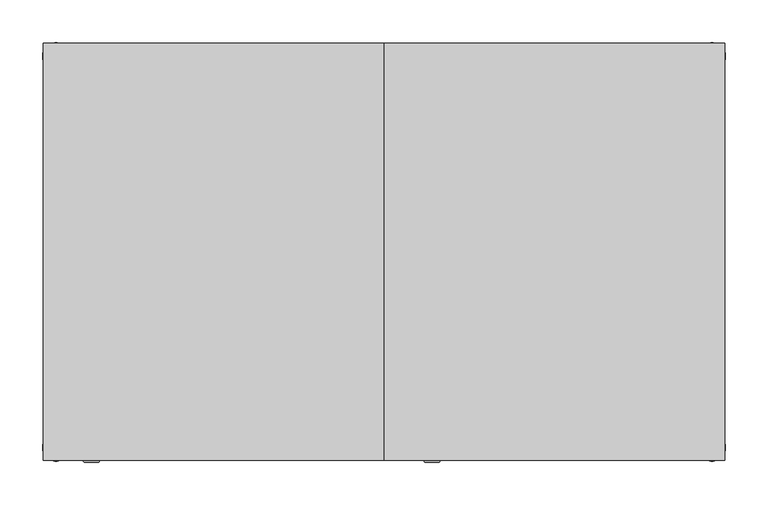
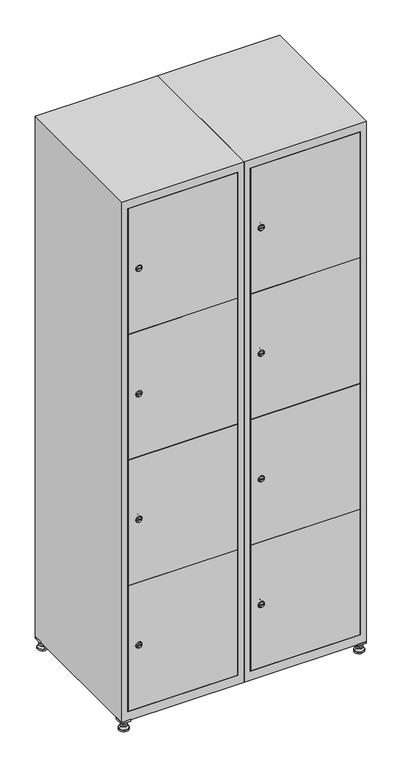
"""IFC4 building model written with IfcOpenShell, lengths in millimetres: furniture geometry."""

from ifc_helpers import new_model, si_unit, point, frame, frame_2d, origin, origin_with_axes, place, context, project, spatial, polyline, circle_curve, trimmed, segment, composite_curve, outline, extrude, faceted_brep, source, transform, mapped, element, save
from ifc_brep_helpers import plane_surface, revolved_surface, advanced_brep


def furniture_3c0cf55d(model_context):
    return source(origin(), model_context, "Body", "SolidModel", [
        extrude(outline(polyline([(600.0, 245.0), (600.0, 215.0), (570.0, 215.0), (570.0, 245.0), (600.0, 245.0)]), holes=[polyline([(598.0, 243.0), (572.0, 243.0), (572.0, 217.0), (598.0, 217.0), (598.0, 243.0)])]), frame((0.0, 0.0, 28.5), z_axis=(0.0, 0.0, 1.0), x_axis=(1.0, 0.0, 0.0)), (0.0, 0.0, 1.0), 6.5),
        extrude(outline(polyline([(570.0, -245.0), (570.0, -215.0), (600.0, -215.0), (600.0, -245.0), (570.0, -245.0)]), holes=[polyline([(572.0, -243.0), (598.0, -243.0), (598.0, -217.0), (572.0, -217.0), (572.0, -243.0)])]), frame((0.0, 0.0, 28.5), z_axis=(0.0, 0.0, 1.0), x_axis=(1.0, 0.0, 0.0)), (0.0, 0.0, 1.0), 6.5),
        extrude(outline(polyline([(-170.0, 245.0), (-170.0, 215.0), (-200.0, 215.0), (-200.0, 245.0), (-170.0, 245.0)]), holes=[polyline([(-172.0, 243.0), (-198.0, 243.0), (-198.0, 217.0), (-172.0, 217.0), (-172.0, 243.0)])]), frame((0.0, 0.0, 28.5), z_axis=(0.0, 0.0, 1.0), x_axis=(1.0, 0.0, 0.0)), (0.0, 0.0, 1.0), 6.5),
        extrude(outline(polyline([(-170.0, -215.0), (-170.0, -245.0), (-200.0, -245.0), (-200.0, -215.0), (-170.0, -215.0)]), holes=[polyline([(-198.0, -243.0), (-172.0, -243.0), (-172.0, -217.0), (-198.0, -217.0), (-198.0, -243.0)])]), frame((0.0, 0.0, 28.5), z_axis=(0.0, 0.0, 1.0), x_axis=(1.0, 0.0, 0.0)), (0.0, 0.0, 1.0), 6.5),
        extrude(outline(composite_curve([segment(trimmed(circle_curve(frame_2d((-185.0, 230.0)), 5.0), [point((-180.0, 230.0))], [point((-190.0, 230.0))], False, "CARTESIAN"), True, "CONTINUOUS"), segment(trimmed(circle_curve(frame_2d((-185.0, 230.0)), 5.0), [point((-190.0, 230.0))], [point((-180.0, 230.0))], False, "CARTESIAN"), True, "CONTINUOUS")], self_intersect=False)), frame((0.0, 0.0, 19.6), z_axis=(0.0, 0.0, 1.0), x_axis=(1.0, 0.0, 0.0)), (0.0, 0.0, 1.0), 15.4),
        extrude(outline(composite_curve([segment(trimmed(circle_curve(frame_2d((-185.0, -230.0)), 5.0), [point((-180.0, -230.0))], [point((-190.0, -230.0))], False, "CARTESIAN"), True, "CONTINUOUS"), segment(trimmed(circle_curve(frame_2d((-185.0, -230.0)), 5.0), [point((-190.0, -230.0))], [point((-180.0, -230.0))], False, "CARTESIAN"), True, "CONTINUOUS")], self_intersect=False)), frame((0.0, 0.0, 19.6), z_axis=(0.0, 0.0, 1.0), x_axis=(1.0, 0.0, 0.0)), (0.0, 0.0, 1.0), 15.4),
        extrude(outline(composite_curve([segment(trimmed(circle_curve(frame_2d((585.0, 230.0)), 5.0), [point((590.0, 230.0))], [point((580.0, 230.0))], False, "CARTESIAN"), True, "CONTINUOUS"), segment(trimmed(circle_curve(frame_2d((585.0, 230.0)), 5.0), [point((580.0, 230.0))], [point((590.0, 230.0))], False, "CARTESIAN"), True, "CONTINUOUS")], self_intersect=False)), frame((0.0, 0.0, 19.6), z_axis=(0.0, 0.0, 1.0), x_axis=(1.0, 0.0, 0.0)), (0.0, 0.0, 1.0), 15.4),
        extrude(outline(polyline([(573.4529946, 230.0), (579.2264973, 240.0), (590.7735027, 240.0), (596.5470054, 230.0), (590.7735027, 220.0), (579.2264973, 220.0), (573.4529946, 230.0)])), frame((0.0, 0.0, 13.6), z_axis=(0.0, 0.0, 1.0), x_axis=(1.0, 0.0, 0.0)), (0.0, 0.0, 1.0), 6.0),
        extrude(outline(composite_curve([segment(trimmed(circle_curve(frame_2d((585.0, -230.0)), 5.0), [point((590.0, -230.0))], [point((580.0, -230.0))], False, "CARTESIAN"), True, "CONTINUOUS"), segment(trimmed(circle_curve(frame_2d((585.0, -230.0)), 5.0), [point((580.0, -230.0))], [point((590.0, -230.0))], False, "CARTESIAN"), True, "CONTINUOUS")], self_intersect=False)), frame((0.0, 0.0, 19.6), z_axis=(0.0, 0.0, 1.0), x_axis=(1.0, 0.0, 0.0)), (0.0, 0.0, 1.0), 15.4),
        extrude(outline(polyline([(573.4529946, -230.0), (579.2264973, -220.0), (590.7735027, -220.0), (596.5470054, -230.0), (590.7735027, -240.0), (579.2264973, -240.0), (573.4529946, -230.0)])), frame((0.0, 0.0, 13.6), z_axis=(0.0, 0.0, 1.0), x_axis=(1.0, 0.0, 0.0)), (0.0, 0.0, 1.0), 6.0),
        extrude(outline(composite_curve([segment(trimmed(circle_curve(frame_2d((585.0, 230.0)), 5.0), [point((590.0, 230.0))], [point((580.0, 230.0))], False, "CARTESIAN"), True, "CONTINUOUS"), segment(trimmed(circle_curve(frame_2d((585.0, 230.0)), 5.0), [point((580.0, 230.0))], [point((590.0, 230.0))], False, "CARTESIAN"), True, "CONTINUOUS")], self_intersect=False)), frame((0.0, 0.0, 12.1), z_axis=(0.0, 0.0, 1.0), x_axis=(1.0, 0.0, 0.0)), (0.0, 0.0, 1.0), 1.5),
        extrude(outline(composite_curve([segment(trimmed(circle_curve(frame_2d((585.0, -230.0)), 5.0), [point((590.0, -230.0))], [point((580.0, -230.0))], False, "CARTESIAN"), True, "CONTINUOUS"), segment(trimmed(circle_curve(frame_2d((585.0, -230.0)), 5.0), [point((580.0, -230.0))], [point((590.0, -230.0))], False, "CARTESIAN"), True, "CONTINUOUS")], self_intersect=False)), frame((0.0, 0.0, 12.1), z_axis=(0.0, 0.0, 1.0), x_axis=(1.0, 0.0, 0.0)), (0.0, 0.0, 1.0), 1.5),
        extrude(outline(polyline([(-196.5470054, 230.0), (-190.7735027, 240.0), (-179.2264973, 240.0), (-173.4529946, 230.0), (-179.2264973, 220.0), (-190.7735027, 220.0), (-196.5470054, 230.0)])), frame((0.0, 0.0, 13.6), z_axis=(0.0, 0.0, 1.0), x_axis=(1.0, 0.0, 0.0)), (0.0, 0.0, 1.0), 6.0),
        extrude(outline(polyline([(-196.5470054, -230.0), (-190.7735027, -220.0), (-179.2264973, -220.0), (-173.4529946, -230.0), (-179.2264973, -240.0), (-190.7735027, -240.0), (-196.5470054, -230.0)])), frame((0.0, 0.0, 13.6), z_axis=(0.0, 0.0, 1.0), x_axis=(1.0, 0.0, 0.0)), (0.0, 0.0, 1.0), 6.0),
        extrude(outline(composite_curve([segment(trimmed(circle_curve(frame_2d((-185.0, 230.0)), 5.0), [point((-185.0, 235.0))], [point((-185.0, 225.0))], False, "CARTESIAN"), True, "CONTINUOUS"), segment(trimmed(circle_curve(frame_2d((-185.0, 230.0)), 5.0), [point((-185.0, 225.0))], [point((-185.0, 235.0))], False, "CARTESIAN"), True, "CONTINUOUS")], self_intersect=False)), frame((0.0, 0.0, 12.1), z_axis=(0.0, 0.0, 1.0), x_axis=(1.0, 0.0, 0.0)), (0.0, 0.0, 1.0), 1.5),
        extrude(outline(composite_curve([segment(trimmed(circle_curve(frame_2d((-185.0, -230.0)), 5.0), [point((-180.0, -230.0))], [point((-190.0, -230.0))], False, "CARTESIAN"), True, "CONTINUOUS"), segment(trimmed(circle_curve(frame_2d((-185.0, -230.0)), 5.0), [point((-190.0, -230.0))], [point((-180.0, -230.0))], False, "CARTESIAN"), True, "CONTINUOUS")], self_intersect=False)), frame((0.0, 0.0, 12.1), z_axis=(0.0, 0.0, 1.0), x_axis=(1.0, 0.0, 0.0)), (0.0, 0.0, 1.0), 1.5),
        extrude(outline(composite_curve([segment(trimmed(circle_curve(frame_2d((585.0, 230.0)), 15.75), [point((600.75, 230.0))], [point((569.25, 230.0))], False, "CARTESIAN"), True, "CONTINUOUS"), segment(trimmed(circle_curve(frame_2d((585.0, 230.0)), 15.75), [point((569.25, 230.0))], [point((600.75, 230.0))], False, "CARTESIAN"), True, "CONTINUOUS")], self_intersect=False)), origin_with_axes(), (0.0, 0.0, 1.0), 5.1),
        extrude(outline(composite_curve([segment(trimmed(circle_curve(frame_2d((585.0, -230.0)), 15.75), [point((585.0, -214.25))], [point((585.0, -245.75))], False, "CARTESIAN"), True, "CONTINUOUS"), segment(trimmed(circle_curve(frame_2d((585.0, -230.0)), 15.75), [point((585.0, -245.75))], [point((585.0, -214.25))], False, "CARTESIAN"), True, "CONTINUOUS")], self_intersect=False)), origin_with_axes(), (0.0, 0.0, 1.0), 5.1),
        extrude(outline(composite_curve([segment(trimmed(circle_curve(frame_2d((-185.0, -230.0)), 15.75), [point((-169.25, -230.0))], [point((-200.75, -230.0))], False, "CARTESIAN"), True, "CONTINUOUS"), segment(trimmed(circle_curve(frame_2d((-185.0, -230.0)), 15.75), [point((-200.75, -230.0))], [point((-169.25, -230.0))], False, "CARTESIAN"), True, "CONTINUOUS")], self_intersect=False)), origin_with_axes(), (0.0, 0.0, 1.0), 5.1),
        extrude(outline(composite_curve([segment(trimmed(circle_curve(frame_2d((-185.0, 230.0)), 15.75), [point((-169.25, 230.0))], [point((-200.75, 230.0))], False, "CARTESIAN"), True, "CONTINUOUS"), segment(trimmed(circle_curve(frame_2d((-185.0, 230.0)), 15.75), [point((-200.75, 230.0))], [point((-169.25, 230.0))], False, "CARTESIAN"), True, "CONTINUOUS")], self_intersect=False)), origin_with_axes(), (0.0, 0.0, 1.0), 5.1),
        advanced_brep(
        [(-185.0, 245.75, 5.1), (-185.0, 214.25, 5.1), (-185.0, 239.5, 12.1), (-185.0, 220.5, 12.1)],
        [
            (0, 1, circle_curve(frame((-185.0, 230.0, 5.1), z_axis=(0.0, 0.0, -1.0), x_axis=(0.0, 1.0, 0.0)), 15.75)),
            (1, 0, circle_curve(frame((-185.0, 230.0, 5.1), z_axis=(0.0, 0.0, -1.0), x_axis=(0.0, -1.0, 0.0)), 15.75)),
            (2, 3, circle_curve(frame((-185.0, 230.0, 12.1), z_axis=(0.0, 0.0, 1.0), x_axis=(0.0, -1.0, 0.0)), 9.5)),
            (3, 2, circle_curve(frame((-185.0, 230.0, 12.1), z_axis=(0.0, 0.0, 1.0), x_axis=(0.0, 1.0, 0.0)), 9.5)),
            (3, 1),
            (0, 2),
        ],
        [
            plane_surface(frame((-185.0, 230.0, 5.1), z_axis=(0.0, 0.0, -1.0), x_axis=(1.0, 0.0, 0.0))),
            plane_surface(frame((-185.0, 230.0, 12.1), z_axis=(0.0, 0.0, 1.0), x_axis=(1.0, 0.0, 0.0))),
            revolved_surface(polyline([(-185.0, 220.5, 12.099999999999998), (-185.0, 214.25, 5.099999999999998)]), (-185.0, 230.0, 22.74), (0.0, 0.0, -1.0)),
            revolved_surface(polyline([(-185.0, 239.5, 12.099999999999998), (-185.0, 245.75, 5.099999999999998)]), (-185.0, 230.0, 22.74), (0.0, 0.0, -1.0)),
        ],
        [
            (0, [[1, 2]]),
            (1, [[3, 4]]),
            (2, [[-4, 5, -1, 6]]),
            (3, [[-3, -6, -2, -5]]),
        ],
    ),
        advanced_brep(
        [(585.0, 245.75, 5.1), (585.0, 214.25, 5.1), (585.0, 239.5, 12.1), (585.0, 220.5, 12.1)],
        [
            (0, 1, circle_curve(frame((585.0, 230.0, 5.1), z_axis=(0.0, 0.0, -1.0), x_axis=(0.0, 1.0, 0.0)), 15.75)),
            (1, 0, circle_curve(frame((585.0, 230.0, 5.1), z_axis=(0.0, 0.0, -1.0), x_axis=(0.0, -1.0, 0.0)), 15.75)),
            (2, 3, circle_curve(frame((585.0, 230.0, 12.1), z_axis=(0.0, 0.0, 1.0), x_axis=(0.0, -1.0, 0.0)), 9.5)),
            (3, 2, circle_curve(frame((585.0, 230.0, 12.1), z_axis=(0.0, 0.0, 1.0), x_axis=(0.0, 1.0, 0.0)), 9.5)),
            (3, 1),
            (0, 2),
        ],
        [
            plane_surface(frame((585.0, 230.0, 5.1), z_axis=(0.0, 0.0, -1.0), x_axis=(1.0, 0.0, 0.0))),
            plane_surface(frame((585.0, 230.0, 12.1), z_axis=(0.0, 0.0, 1.0), x_axis=(1.0, 0.0, 0.0))),
            revolved_surface(polyline([(585.0, 220.5, 12.099999999999998), (585.0, 214.25, 5.099999999999998)]), (585.0, 230.0, 22.74), (0.0, 0.0, -1.0)),
            revolved_surface(polyline([(585.0, 239.5, 12.099999999999998), (585.0, 245.75, 5.099999999999998)]), (585.0, 230.0, 22.74), (0.0, 0.0, -1.0)),
        ],
        [
            (0, [[1, 2]]),
            (1, [[3, 4]]),
            (2, [[-4, 5, -1, 6]]),
            (3, [[-3, -6, -2, -5]]),
        ],
    ),
        advanced_brep(
        [(594.5, -230.0, 12.1), (575.5, -230.0, 12.1), (600.75, -230.0, 5.1), (569.25, -230.0, 5.1)],
        [
            (0, 1, circle_curve(frame((585.0, -230.0, 12.1), z_axis=(0.0, 0.0, 1.0), x_axis=(1.0, 0.0, 0.0)), 9.5)),
            (1, 0, circle_curve(frame((585.0, -230.0, 12.1), z_axis=(0.0, 0.0, 1.0), x_axis=(-1.0, 0.0, 0.0)), 9.5)),
            (2, 3, circle_curve(frame((585.0, -230.0, 5.1), z_axis=(0.0, 0.0, -1.0), x_axis=(-1.0, 0.0, 0.0)), 15.75)),
            (3, 2, circle_curve(frame((585.0, -230.0, 5.1), z_axis=(0.0, 0.0, -1.0), x_axis=(1.0, 0.0, 0.0)), 15.75)),
            (3, 1),
            (0, 2),
        ],
        [
            plane_surface(frame((585.0, -230.0, 12.1), z_axis=(0.0, 0.0, 1.0), x_axis=(0.0, 1.0, 0.0))),
            plane_surface(frame((585.0, -230.0, 5.1), z_axis=(0.0, 0.0, -1.0), x_axis=(0.0, 1.0, 0.0))),
            revolved_surface(polyline([(594.5, -230.0, 12.099999999999998), (600.75, -230.0, 5.099999999999998)]), (585.0, -230.0, 22.74), (0.0, 0.0, -1.0)),
            revolved_surface(polyline([(575.5, -230.0, 12.099999999999998), (569.25, -230.0, 5.099999999999998)]), (585.0, -230.0, 22.74), (0.0, 0.0, -1.0)),
        ],
        [
            (0, [[1, 2]]),
            (1, [[3, 4]]),
            (2, [[-4, 5, -1, 6]]),
            (3, [[-3, -6, -2, -5]]),
        ],
    ),
        advanced_brep(
        [(-175.5, -230.0, 12.1), (-194.5, -230.0, 12.1), (-169.25, -230.0, 5.1), (-200.75, -230.0, 5.1)],
        [
            (0, 1, circle_curve(frame((-185.0, -230.0, 12.1), z_axis=(0.0, 0.0, 1.0), x_axis=(1.0, 0.0, 0.0)), 9.5)),
            (1, 0, circle_curve(frame((-185.0, -230.0, 12.1), z_axis=(0.0, 0.0, 1.0), x_axis=(-1.0, 0.0, 0.0)), 9.5)),
            (2, 3, circle_curve(frame((-185.0, -230.0, 5.1), z_axis=(0.0, 0.0, -1.0), x_axis=(-1.0, 0.0, 0.0)), 15.75)),
            (3, 2, circle_curve(frame((-185.0, -230.0, 5.1), z_axis=(0.0, 0.0, -1.0), x_axis=(1.0, 0.0, 0.0)), 15.75)),
            (3, 1),
            (0, 2),
        ],
        [
            plane_surface(frame((-185.0, -230.0, 12.1), z_axis=(0.0, 0.0, 1.0), x_axis=(0.0, 1.0, 0.0))),
            plane_surface(frame((-185.0, -230.0, 5.1), z_axis=(0.0, 0.0, -1.0), x_axis=(0.0, 1.0, 0.0))),
            revolved_surface(polyline([(-175.5, -230.0, 12.099999999999998), (-169.25, -230.0, 5.099999999999998)]), (-185.0, -230.0, 22.74), (0.0, 0.0, -1.0)),
            revolved_surface(polyline([(-194.5, -230.0, 12.099999999999998), (-200.75, -230.0, 5.099999999999998)]), (-185.0, -230.0, 22.74), (0.0, 0.0, -1.0)),
        ],
        [
            (0, [[1, 2]]),
            (1, [[3, 4]]),
            (2, [[-4, 5, -1, 6]]),
            (3, [[-3, -6, -2, -5]]),
        ],
    ),
        extrude(outline(composite_curve([segment(trimmed(circle_curve(frame_2d((283.4, 229.6010534)), 7.0), [point((290.4, 229.6010534))], [point((276.4, 229.6010534))], False, "CARTESIAN"), True, "CONTINUOUS"), segment(polyline([(276.4, 229.6010534), (276.4, 257.6010534)]), True, "CONTINUOUS"), segment(trimmed(circle_curve(frame_2d((283.4, 257.6010534)), 7.0), [point((276.4, 257.6010534))], [point((290.4, 257.6010534))], False, "CARTESIAN"), True, "CONTINUOUS"), segment(polyline([(290.4, 257.6010534), (290.4, 229.6010534)]), True, "CONTINUOUS")], self_intersect=False)), frame((0.0, -227.0, 0.0), z_axis=(0.0, 1.0, 0.0), x_axis=(0.0, 0.0, 1.0)), (0.0, 0.0, 1.0), 2.0),
        advanced_brep(
        [(264.9, -247.2, 283.4), (247.9, -247.2, 283.4), (251.4, -247.2, 282.15), (251.4, -247.2, 284.65), (261.4, -247.2, 284.65), (261.4, -247.2, 282.15), (266.9, -245.0, 283.4), (245.9, -245.0, 283.4), (251.4, -245.0, 284.65), (251.4, -245.0, 282.15), (261.4, -245.0, 282.15), (261.4, -245.0, 284.65)],
        [
            (0, 1, circle_curve(frame((256.4, -247.2, 283.4), z_axis=(0.0, -1.0, 0.0), x_axis=(1.0, 0.0, 0.0)), 8.5)),
            (1, 0, circle_curve(frame((256.4, -247.2, 283.4), z_axis=(0.0, -1.0, 0.0), x_axis=(-1.0, 0.0, 0.0)), 8.5)),
            (2, 3),
            (3, 4),
            (4, 5),
            (5, 2),
            (6, 7, circle_curve(frame((256.4, -245.0, 283.4), z_axis=(0.0, 1.0, 0.0), x_axis=(-1.0, 0.0, 0.0)), 10.5)),
            (7, 6, circle_curve(frame((256.4, -245.0, 283.4), z_axis=(0.0, 1.0, 0.0), x_axis=(1.0, 0.0, 0.0)), 10.5)),
            (8, 9),
            (9, 10),
            (10, 11),
            (11, 8),
            (0, 6),
            (7, 1),
            (8, 3),
            (2, 9),
            (11, 4),
            (10, 5),
        ],
        [
            plane_surface(frame((256.4, -247.2, 283.4), z_axis=(0.0, -1.0, 0.0), x_axis=(0.0, 0.0, 1.0))),
            plane_surface(frame((256.4, -245.0, 283.4), z_axis=(0.0, 1.0, 0.0), x_axis=(0.0, 0.0, 1.0))),
            revolved_surface(polyline([(264.9, -247.2, 283.4), (266.9, -245.0, 283.4)]), (256.4, -256.55, 283.4), (0.0, 1.0, 0.0)),
            revolved_surface(polyline([(247.89999999999998, -247.2, 283.4), (245.9, -245.0, 283.4)]), (256.4, -256.55, 283.4), (0.0, 1.0, 0.0)),
            plane_surface(frame((251.4, -245.0, 282.15), z_axis=(1.0, 0.0, 0.0), x_axis=(0.0, -1.0, 0.0))),
            plane_surface(frame((251.4, -245.0, 284.65), z_axis=(0.0, 0.0, -1.0), x_axis=(0.0, -1.0, 0.0))),
            plane_surface(frame((261.4, -245.0, 284.65), z_axis=(-1.0, 0.0, 0.0), x_axis=(0.0, -1.0, 0.0))),
            plane_surface(frame((261.4, -245.0, 282.15), z_axis=(0.0, 0.0, 1.0), x_axis=(0.0, -1.0, 0.0))),
        ],
        [
            (0, [[1, 2], [3, 4, 5, 6]]),
            (1, [[7, 8], [9, 10, 11, 12]]),
            (2, [[-1, 13, -8, 14]]),
            (3, [[-2, -14, -7, -13]]),
            (4, [[15, -3, 16, -9]]),
            (5, [[-15, -12, 17, -4]]),
            (6, [[-17, -11, 18, -5]]),
            (7, [[-16, -6, -18, -10]]),
        ],
    ),
        extrude(outline(composite_curve([segment(trimmed(circle_curve(frame_2d((717.8, 229.6010534)), 7.0), [point((724.8, 229.6010534))], [point((710.8, 229.6010534))], False, "CARTESIAN"), True, "CONTINUOUS"), segment(polyline([(710.8, 229.6010534), (710.8, 257.6010534)]), True, "CONTINUOUS"), segment(trimmed(circle_curve(frame_2d((717.8, 257.6010534)), 7.0), [point((710.8, 257.6010534))], [point((724.8, 257.6010534))], False, "CARTESIAN"), True, "CONTINUOUS"), segment(polyline([(724.8, 257.6010534), (724.8, 229.6010534)]), True, "CONTINUOUS")], self_intersect=False)), frame((0.0, -227.0, 0.0), z_axis=(0.0, 1.0, 0.0), x_axis=(0.0, 0.0, 1.0)), (0.0, 0.0, 1.0), 2.0),
        advanced_brep(
        [(264.9, -247.2, 717.8), (247.9, -247.2, 717.8), (251.4, -247.2, 716.55), (251.4, -247.2, 719.05), (261.4, -247.2, 719.05), (261.4, -247.2, 716.55), (266.9, -245.0, 717.8), (245.9, -245.0, 717.8), (251.4, -245.0, 719.05), (251.4, -245.0, 716.55), (261.4, -245.0, 716.55), (261.4, -245.0, 719.05)],
        [
            (0, 1, circle_curve(frame((256.4, -247.2, 717.8), z_axis=(0.0, -1.0, 0.0), x_axis=(1.0, 0.0, 0.0)), 8.5)),
            (1, 0, circle_curve(frame((256.4, -247.2, 717.8), z_axis=(0.0, -1.0, 0.0), x_axis=(-1.0, 0.0, 0.0)), 8.5)),
            (2, 3),
            (3, 4),
            (4, 5),
            (5, 2),
            (6, 7, circle_curve(frame((256.4, -245.0, 717.8), z_axis=(0.0, 1.0, 0.0), x_axis=(-1.0, 0.0, 0.0)), 10.5)),
            (7, 6, circle_curve(frame((256.4, -245.0, 717.8), z_axis=(0.0, 1.0, 0.0), x_axis=(1.0, 0.0, 0.0)), 10.5)),
            (8, 9),
            (9, 10),
            (10, 11),
            (11, 8),
            (0, 6),
            (7, 1),
            (8, 3),
            (2, 9),
            (11, 4),
            (10, 5),
        ],
        [
            plane_surface(frame((256.4, -247.2, 717.8), z_axis=(0.0, -1.0, 0.0), x_axis=(0.0, 0.0, 1.0))),
            plane_surface(frame((256.4, -245.0, 717.8), z_axis=(0.0, 1.0, 0.0), x_axis=(0.0, 0.0, 1.0))),
            revolved_surface(polyline([(264.9, -247.2, 717.8), (266.9, -245.0, 717.8)]), (256.4, -256.55, 717.8), (0.0, 1.0, 0.0)),
            revolved_surface(polyline([(247.89999999999998, -247.2, 717.8), (245.9, -245.0, 717.8)]), (256.4, -256.55, 717.8), (0.0, 1.0, 0.0)),
            plane_surface(frame((251.4, -245.0, 716.55), z_axis=(1.0, 0.0, 0.0), x_axis=(0.0, -1.0, 0.0))),
            plane_surface(frame((251.4, -245.0, 719.05), z_axis=(0.0, 0.0, -1.0), x_axis=(0.0, -1.0, 0.0))),
            plane_surface(frame((261.4, -245.0, 719.05), z_axis=(-1.0, 0.0, 0.0), x_axis=(0.0, -1.0, 0.0))),
            plane_surface(frame((261.4, -245.0, 716.55), z_axis=(0.0, 0.0, 1.0), x_axis=(0.0, -1.0, 0.0))),
        ],
        [
            (0, [[1, 2], [3, 4, 5, 6]]),
            (1, [[7, 8], [9, 10, 11, 12]]),
            (2, [[-1, 13, -8, 14]]),
            (3, [[-2, -14, -7, -13]]),
            (4, [[15, -3, 16, -9]]),
            (5, [[-15, -12, 17, -4]]),
            (6, [[-17, -11, 18, -5]]),
            (7, [[-16, -6, -18, -10]]),
        ],
    ),
        extrude(outline(composite_curve([segment(trimmed(circle_curve(frame_2d((1152.2, 229.6010534)), 7.0), [point((1159.2, 229.6010534))], [point((1145.2, 229.6010534))], False, "CARTESIAN"), True, "CONTINUOUS"), segment(polyline([(1145.2, 229.6010534), (1145.2, 257.6010534)]), True, "CONTINUOUS"), segment(trimmed(circle_curve(frame_2d((1152.2, 257.6010534)), 7.0), [point((1145.2, 257.6010534))], [point((1159.2, 257.6010534))], False, "CARTESIAN"), True, "CONTINUOUS"), segment(polyline([(1159.2, 257.6010534), (1159.2, 229.6010534)]), True, "CONTINUOUS")], self_intersect=False)), frame((0.0, -227.0, 0.0), z_axis=(0.0, 1.0, 0.0), x_axis=(0.0, 0.0, 1.0)), (0.0, 0.0, 1.0), 2.0),
        advanced_brep(
        [(264.9, -247.2, 1152.2), (247.9, -247.2, 1152.2), (251.4, -247.2, 1150.95), (251.4, -247.2, 1153.45), (261.4, -247.2, 1153.45), (261.4, -247.2, 1150.95), (266.9, -245.0, 1152.2), (245.9, -245.0, 1152.2), (251.4, -245.0, 1153.45), (251.4, -245.0, 1150.95), (261.4, -245.0, 1150.95), (261.4, -245.0, 1153.45)],
        [
            (0, 1, circle_curve(frame((256.4, -247.2, 1152.2), z_axis=(0.0, -1.0, 0.0), x_axis=(1.0, 0.0, 0.0)), 8.5)),
            (1, 0, circle_curve(frame((256.4, -247.2, 1152.2), z_axis=(0.0, -1.0, 0.0), x_axis=(-1.0, 0.0, 0.0)), 8.5)),
            (2, 3),
            (3, 4),
            (4, 5),
            (5, 2),
            (6, 7, circle_curve(frame((256.4, -245.0, 1152.2), z_axis=(0.0, 1.0, 0.0), x_axis=(-1.0, 0.0, 0.0)), 10.5)),
            (7, 6, circle_curve(frame((256.4, -245.0, 1152.2), z_axis=(0.0, 1.0, 0.0), x_axis=(1.0, 0.0, 0.0)), 10.5)),
            (8, 9),
            (9, 10),
            (10, 11),
            (11, 8),
            (0, 6),
            (7, 1),
            (8, 3),
            (2, 9),
            (11, 4),
            (10, 5),
        ],
        [
            plane_surface(frame((256.4, -247.2, 1152.2), z_axis=(0.0, -1.0, 0.0), x_axis=(0.0, 0.0, 1.0))),
            plane_surface(frame((256.4, -245.0, 1152.2), z_axis=(0.0, 1.0, 0.0), x_axis=(0.0, 0.0, 1.0))),
            revolved_surface(polyline([(264.9, -247.2, 1152.2), (266.9, -245.0, 1152.2)]), (256.4, -256.55, 1152.2), (0.0, 1.0, 0.0)),
            revolved_surface(polyline([(247.89999999999998, -247.2, 1152.2), (245.9, -245.0, 1152.2)]), (256.4, -256.55, 1152.2), (0.0, 1.0, 0.0)),
            plane_surface(frame((251.4, -245.0, 1150.95), z_axis=(1.0, 0.0, 0.0), x_axis=(0.0, -1.0, 0.0))),
            plane_surface(frame((251.4, -245.0, 1153.45), z_axis=(0.0, 0.0, -1.0), x_axis=(0.0, -1.0, 0.0))),
            plane_surface(frame((261.4, -245.0, 1153.45), z_axis=(-1.0, 0.0, 0.0), x_axis=(0.0, -1.0, 0.0))),
            plane_surface(frame((261.4, -245.0, 1150.95), z_axis=(0.0, 0.0, 1.0), x_axis=(0.0, -1.0, 0.0))),
        ],
        [
            (0, [[1, 2], [3, 4, 5, 6]]),
            (1, [[7, 8], [9, 10, 11, 12]]),
            (2, [[-1, 13, -8, 14]]),
            (3, [[-2, -14, -7, -13]]),
            (4, [[15, -3, 16, -9]]),
            (5, [[-15, -12, 17, -4]]),
            (6, [[-17, -11, 18, -5]]),
            (7, [[-16, -6, -18, -10]]),
        ],
    ),
        extrude(outline(composite_curve([segment(trimmed(circle_curve(frame_2d((1586.6, 229.6010534)), 7.0), [point((1593.6, 229.6010534))], [point((1579.6, 229.6010534))], False, "CARTESIAN"), True, "CONTINUOUS"), segment(polyline([(1579.6, 229.6010534), (1579.6, 257.6010534)]), True, "CONTINUOUS"), segment(trimmed(circle_curve(frame_2d((1586.6, 257.6010534)), 7.0), [point((1579.6, 257.6010534))], [point((1593.6, 257.6010534))], False, "CARTESIAN"), True, "CONTINUOUS"), segment(polyline([(1593.6, 257.6010534), (1593.6, 229.6010534)]), True, "CONTINUOUS")], self_intersect=False)), frame((0.0, -227.0, 0.0), z_axis=(0.0, 1.0, 0.0), x_axis=(0.0, 0.0, 1.0)), (0.0, 0.0, 1.0), 2.0),
        advanced_brep(
        [(264.9, -247.2, 1586.6), (247.9, -247.2, 1586.6), (251.4, -247.2, 1585.35), (251.4, -247.2, 1587.85), (261.4, -247.2, 1587.85), (261.4, -247.2, 1585.35), (266.9, -245.0, 1586.6), (245.9, -245.0, 1586.6), (251.4, -245.0, 1587.85), (251.4, -245.0, 1585.35), (261.4, -245.0, 1585.35), (261.4, -245.0, 1587.85)],
        [
            (0, 1, circle_curve(frame((256.4, -247.2, 1586.6), z_axis=(0.0, -1.0, 0.0), x_axis=(1.0, 0.0, 0.0)), 8.5)),
            (1, 0, circle_curve(frame((256.4, -247.2, 1586.6), z_axis=(0.0, -1.0, 0.0), x_axis=(-1.0, 0.0, 0.0)), 8.5)),
            (2, 3),
            (3, 4),
            (4, 5),
            (5, 2),
            (6, 7, circle_curve(frame((256.4, -245.0, 1586.6), z_axis=(0.0, 1.0, 0.0), x_axis=(-1.0, 0.0, 0.0)), 10.5)),
            (7, 6, circle_curve(frame((256.4, -245.0, 1586.6), z_axis=(0.0, 1.0, 0.0), x_axis=(1.0, 0.0, 0.0)), 10.5)),
            (8, 9),
            (9, 10),
            (10, 11),
            (11, 8),
            (0, 6),
            (7, 1),
            (8, 3),
            (2, 9),
            (11, 4),
            (10, 5),
        ],
        [
            plane_surface(frame((256.4, -247.2, 1586.6), z_axis=(0.0, -1.0, 0.0), x_axis=(0.0, 0.0, 1.0))),
            plane_surface(frame((256.4, -245.0, 1586.6), z_axis=(0.0, 1.0, 0.0), x_axis=(0.0, 0.0, 1.0))),
            revolved_surface(polyline([(264.9, -247.2, 1586.6), (266.9, -245.0, 1586.6)]), (256.4, -256.55, 1586.6), (0.0, 1.0, 0.0)),
            revolved_surface(polyline([(247.89999999999998, -247.2, 1586.6), (245.9, -245.0, 1586.6)]), (256.4, -256.55, 1586.6), (0.0, 1.0, 0.0)),
            plane_surface(frame((251.4, -245.0, 1585.35), z_axis=(1.0, 0.0, 0.0), x_axis=(0.0, -1.0, 0.0))),
            plane_surface(frame((251.4, -245.0, 1587.85), z_axis=(0.0, 0.0, -1.0), x_axis=(0.0, -1.0, 0.0))),
            plane_surface(frame((261.4, -245.0, 1587.85), z_axis=(-1.0, 0.0, 0.0), x_axis=(0.0, -1.0, 0.0))),
            plane_surface(frame((261.4, -245.0, 1585.35), z_axis=(0.0, 0.0, 1.0), x_axis=(0.0, -1.0, 0.0))),
        ],
        [
            (0, [[1, 2], [3, 4, 5, 6]]),
            (1, [[7, 8], [9, 10, 11, 12]]),
            (2, [[-1, 13, -8, 14]]),
            (3, [[-2, -14, -7, -13]]),
            (4, [[15, -3, 16, -9]]),
            (5, [[-15, -12, 17, -4]]),
            (6, [[-17, -11, 18, -5]]),
            (7, [[-16, -6, -18, -10]]),
        ],
    ),
        extrude(outline(polyline([(578.6, -227.0), (578.6, -245.0), (221.4, -245.0), (221.4, -227.0), (578.6, -227.0)])), frame((0.0, 0.0, 500.1), z_axis=(0.0, 0.0, 1.0), x_axis=(1.0, 0.0, 0.0)), (0.0, 0.0, 1.0), 434.4),
        extrude(outline(polyline([(578.6, -227.0), (578.6, -245.0), (221.4, -245.0), (221.4, -227.0), (578.6, -227.0)])), frame((0.0, 0.0, 935.5), z_axis=(0.0, 0.0, 1.0), x_axis=(1.0, 0.0, 0.0)), (0.0, 0.0, 1.0), 433.4),
        extrude(outline(polyline([(221.4, -245.0), (221.4, -227.0), (578.6, -227.0), (578.6, -245.0), (221.4, -245.0)])), frame((0.0, 0.0, 1369.9), z_axis=(0.0, 0.0, 1.0), x_axis=(1.0, 0.0, 0.0)), (0.0, 0.0, 1.0), 433.9),
        extrude(outline(polyline([(578.6, -227.0), (578.6, -245.0), (221.4, -245.0), (221.4, -227.0), (578.6, -227.0)])), frame((0.0, 0.0, 66.2), z_axis=(0.0, 0.0, 1.0), x_axis=(1.0, 0.0, 0.0)), (0.0, 0.0, 1.0), 434.9),
        extrude(outline(polyline([(579.6, 242.0), (579.6, -227.0), (220.4, -227.0), (220.4, 242.0), (579.6, 242.0)])), frame((0.0, 0.0, 1359.7), z_axis=(0.0, 0.0, 1.0), x_axis=(1.0, 0.0, 0.0)), (0.0, 0.0, 1.0), 20.4),
        extrude(outline(polyline([(579.6, 242.0), (579.6, -227.0), (220.4, -227.0), (220.4, 242.0), (579.6, 242.0)])), frame((0.0, 0.0, 924.8), z_axis=(0.0, 0.0, 1.0), x_axis=(1.0, 0.0, 0.0)), (0.0, 0.0, 1.0), 20.4),
        extrude(outline(polyline([(579.6, 242.0), (579.6, -227.0), (220.4, -227.0), (220.4, 242.0), (579.6, 242.0)])), frame((0.0, 0.0, 489.9), z_axis=(0.0, 0.0, 1.0), x_axis=(1.0, 0.0, 0.0)), (0.0, 0.0, 1.0), 20.4),
        faceted_brep([(600.0, -245.0, 35.0), (600.0, -245.0, 1835.0), (200.0, -245.0, 1835.0), (200.0, -245.0, 35.0), (579.6, -245.0, 1804.8), (579.6, -245.0, 65.2), (220.4, -245.0, 65.2), (220.4, -245.0, 1804.8), (600.0, 245.0, 35.0), (200.0, 245.0, 35.0), (600.0, 245.0, 1835.0), (200.0, 245.0, 1835.0), (579.6, 242.0, 1804.8), (579.6, 242.0, 65.2), (200.0, 245.0, 1804.8), (220.4, 242.0, 1804.8), (220.4, 242.0, 65.2)], [[[0, 1, 2, 3], [4, 5, 6, 7]], [[8, 0, 3, 9]], [[1, 0, 8, 10]], [[1, 10, 11, 2]], [[4, 12, 13, 5]], [[9, 3, 2, 11, 14]], [[10, 8, 9, 14, 11]], [[12, 15, 16, 13]], [[15, 7, 6, 16]], [[4, 7, 15, 12]], [[6, 5, 13, 16]]]),
        extrude(outline(composite_curve([segment(trimmed(circle_curve(frame_2d((283.4, -170.3989466)), 7.0), [point((290.4, -170.3989466))], [point((276.4, -170.3989466))], False, "CARTESIAN"), True, "CONTINUOUS"), segment(polyline([(276.4, -170.3989466), (276.4, -142.3989466)]), True, "CONTINUOUS"), segment(trimmed(circle_curve(frame_2d((283.4, -142.3989466)), 7.0), [point((276.4, -142.3989466))], [point((290.4, -142.3989466))], False, "CARTESIAN"), True, "CONTINUOUS"), segment(polyline([(290.4, -142.3989466), (290.4, -170.3989466)]), True, "CONTINUOUS")], self_intersect=False)), frame((0.0, -227.0, 0.0), z_axis=(0.0, 1.0, 0.0), x_axis=(0.0, 0.0, 1.0)), (0.0, 0.0, 1.0), 2.0),
        advanced_brep(
        [(-135.1, -247.2, 283.4), (-152.1, -247.2, 283.4), (-148.6, -247.2, 282.15), (-148.6, -247.2, 284.65), (-138.6, -247.2, 284.65), (-138.6, -247.2, 282.15), (-133.1, -245.0, 283.4), (-154.1, -245.0, 283.4), (-148.6, -245.0, 284.65), (-148.6, -245.0, 282.15), (-138.6, -245.0, 282.15), (-138.6, -245.0, 284.65)],
        [
            (0, 1, circle_curve(frame((-143.6, -247.2, 283.4), z_axis=(0.0, -1.0, 0.0), x_axis=(1.0, 0.0, 0.0)), 8.5)),
            (1, 0, circle_curve(frame((-143.6, -247.2, 283.4), z_axis=(0.0, -1.0, 0.0), x_axis=(-1.0, 0.0, 0.0)), 8.5)),
            (2, 3),
            (3, 4),
            (4, 5),
            (5, 2),
            (6, 7, circle_curve(frame((-143.6, -245.0, 283.4), z_axis=(0.0, 1.0, 0.0), x_axis=(-1.0, 0.0, 0.0)), 10.5)),
            (7, 6, circle_curve(frame((-143.6, -245.0, 283.4), z_axis=(0.0, 1.0, 0.0), x_axis=(1.0, 0.0, 0.0)), 10.5)),
            (8, 9),
            (9, 10),
            (10, 11),
            (11, 8),
            (0, 6),
            (7, 1),
            (8, 3),
            (2, 9),
            (11, 4),
            (10, 5),
        ],
        [
            plane_surface(frame((-143.6, -247.2, 283.4), z_axis=(0.0, -1.0, 0.0), x_axis=(0.0, 0.0, 1.0))),
            plane_surface(frame((-143.6, -245.0, 283.4), z_axis=(0.0, 1.0, 0.0), x_axis=(0.0, 0.0, 1.0))),
            revolved_surface(polyline([(-135.1, -247.2, 283.4), (-133.1, -245.0, 283.4)]), (-143.6, -256.55, 283.4), (0.0, 1.0, 0.0)),
            revolved_surface(polyline([(-152.1, -247.2, 283.4), (-154.1, -245.0, 283.4)]), (-143.6, -256.55, 283.4), (0.0, 1.0, 0.0)),
            plane_surface(frame((-148.6, -245.0, 282.15), z_axis=(1.0, 0.0, 0.0), x_axis=(0.0, -1.0, 0.0))),
            plane_surface(frame((-148.6, -245.0, 284.65), z_axis=(0.0, 0.0, -1.0), x_axis=(0.0, -1.0, 0.0))),
            plane_surface(frame((-138.6, -245.0, 284.65), z_axis=(-1.0, 0.0, 0.0), x_axis=(0.0, -1.0, 0.0))),
            plane_surface(frame((-138.6, -245.0, 282.15), z_axis=(0.0, 0.0, 1.0), x_axis=(0.0, -1.0, 0.0))),
        ],
        [
            (0, [[1, 2], [3, 4, 5, 6]]),
            (1, [[7, 8], [9, 10, 11, 12]]),
            (2, [[-1, 13, -8, 14]]),
            (3, [[-2, -14, -7, -13]]),
            (4, [[15, -3, 16, -9]]),
            (5, [[-15, -12, 17, -4]]),
            (6, [[-17, -11, 18, -5]]),
            (7, [[-16, -6, -18, -10]]),
        ],
    ),
        extrude(outline(composite_curve([segment(trimmed(circle_curve(frame_2d((717.8, -170.3989466)), 7.0), [point((724.8, -170.3989466))], [point((710.8, -170.3989466))], False, "CARTESIAN"), True, "CONTINUOUS"), segment(polyline([(710.8, -170.3989466), (710.8, -142.3989466)]), True, "CONTINUOUS"), segment(trimmed(circle_curve(frame_2d((717.8, -142.3989466)), 7.0), [point((710.8, -142.3989466))], [point((724.8, -142.3989466))], False, "CARTESIAN"), True, "CONTINUOUS"), segment(polyline([(724.8, -142.3989466), (724.8, -170.3989466)]), True, "CONTINUOUS")], self_intersect=False)), frame((0.0, -227.0, 0.0), z_axis=(0.0, 1.0, 0.0), x_axis=(0.0, 0.0, 1.0)), (0.0, 0.0, 1.0), 2.0),
        advanced_brep(
        [(-135.1, -247.2, 717.8), (-152.1, -247.2, 717.8), (-148.6, -247.2, 716.55), (-148.6, -247.2, 719.05), (-138.6, -247.2, 719.05), (-138.6, -247.2, 716.55), (-133.1, -245.0, 717.8), (-154.1, -245.0, 717.8), (-148.6, -245.0, 719.05), (-148.6, -245.0, 716.55), (-138.6, -245.0, 716.55), (-138.6, -245.0, 719.05)],
        [
            (0, 1, circle_curve(frame((-143.6, -247.2, 717.8), z_axis=(0.0, -1.0, 0.0), x_axis=(1.0, 0.0, 0.0)), 8.5)),
            (1, 0, circle_curve(frame((-143.6, -247.2, 717.8), z_axis=(0.0, -1.0, 0.0), x_axis=(-1.0, 0.0, 0.0)), 8.5)),
            (2, 3),
            (3, 4),
            (4, 5),
            (5, 2),
            (6, 7, circle_curve(frame((-143.6, -245.0, 717.8), z_axis=(0.0, 1.0, 0.0), x_axis=(-1.0, 0.0, 0.0)), 10.5)),
            (7, 6, circle_curve(frame((-143.6, -245.0, 717.8), z_axis=(0.0, 1.0, 0.0), x_axis=(1.0, 0.0, 0.0)), 10.5)),
            (8, 9),
            (9, 10),
            (10, 11),
            (11, 8),
            (0, 6),
            (7, 1),
            (8, 3),
            (2, 9),
            (11, 4),
            (10, 5),
        ],
        [
            plane_surface(frame((-143.6, -247.2, 717.8), z_axis=(0.0, -1.0, 0.0), x_axis=(0.0, 0.0, 1.0))),
            plane_surface(frame((-143.6, -245.0, 717.8), z_axis=(0.0, 1.0, 0.0), x_axis=(0.0, 0.0, 1.0))),
            revolved_surface(polyline([(-135.1, -247.2, 717.8), (-133.1, -245.0, 717.8)]), (-143.6, -256.55, 717.8), (0.0, 1.0, 0.0)),
            revolved_surface(polyline([(-152.1, -247.2, 717.8), (-154.1, -245.0, 717.8)]), (-143.6, -256.55, 717.8), (0.0, 1.0, 0.0)),
            plane_surface(frame((-148.6, -245.0, 716.55), z_axis=(1.0, 0.0, 0.0), x_axis=(0.0, -1.0, 0.0))),
            plane_surface(frame((-148.6, -245.0, 719.05), z_axis=(0.0, 0.0, -1.0), x_axis=(0.0, -1.0, 0.0))),
            plane_surface(frame((-138.6, -245.0, 719.05), z_axis=(-1.0, 0.0, 0.0), x_axis=(0.0, -1.0, 0.0))),
            plane_surface(frame((-138.6, -245.0, 716.55), z_axis=(0.0, 0.0, 1.0), x_axis=(0.0, -1.0, 0.0))),
        ],
        [
            (0, [[1, 2], [3, 4, 5, 6]]),
            (1, [[7, 8], [9, 10, 11, 12]]),
            (2, [[-1, 13, -8, 14]]),
            (3, [[-2, -14, -7, -13]]),
            (4, [[15, -3, 16, -9]]),
            (5, [[-15, -12, 17, -4]]),
            (6, [[-17, -11, 18, -5]]),
            (7, [[-16, -6, -18, -10]]),
        ],
    ),
        extrude(outline(composite_curve([segment(trimmed(circle_curve(frame_2d((1152.2, -170.3989466)), 7.0), [point((1159.2, -170.3989466))], [point((1145.2, -170.3989466))], False, "CARTESIAN"), True, "CONTINUOUS"), segment(polyline([(1145.2, -170.3989466), (1145.2, -142.3989466)]), True, "CONTINUOUS"), segment(trimmed(circle_curve(frame_2d((1152.2, -142.3989466)), 7.0), [point((1145.2, -142.3989466))], [point((1159.2, -142.3989466))], False, "CARTESIAN"), True, "CONTINUOUS"), segment(polyline([(1159.2, -142.3989466), (1159.2, -170.3989466)]), True, "CONTINUOUS")], self_intersect=False)), frame((0.0, -227.0, 0.0), z_axis=(0.0, 1.0, 0.0), x_axis=(0.0, 0.0, 1.0)), (0.0, 0.0, 1.0), 2.0),
        advanced_brep(
        [(-135.1, -247.2, 1152.2), (-152.1, -247.2, 1152.2), (-148.6, -247.2, 1150.95), (-148.6, -247.2, 1153.45), (-138.6, -247.2, 1153.45), (-138.6, -247.2, 1150.95), (-133.1, -245.0, 1152.2), (-154.1, -245.0, 1152.2), (-148.6, -245.0, 1153.45), (-148.6, -245.0, 1150.95), (-138.6, -245.0, 1150.95), (-138.6, -245.0, 1153.45)],
        [
            (0, 1, circle_curve(frame((-143.6, -247.2, 1152.2), z_axis=(0.0, -1.0, 0.0), x_axis=(1.0, 0.0, 0.0)), 8.5)),
            (1, 0, circle_curve(frame((-143.6, -247.2, 1152.2), z_axis=(0.0, -1.0, 0.0), x_axis=(-1.0, 0.0, 0.0)), 8.5)),
            (2, 3),
            (3, 4),
            (4, 5),
            (5, 2),
            (6, 7, circle_curve(frame((-143.6, -245.0, 1152.2), z_axis=(0.0, 1.0, 0.0), x_axis=(-1.0, 0.0, 0.0)), 10.5)),
            (7, 6, circle_curve(frame((-143.6, -245.0, 1152.2), z_axis=(0.0, 1.0, 0.0), x_axis=(1.0, 0.0, 0.0)), 10.5)),
            (8, 9),
            (9, 10),
            (10, 11),
            (11, 8),
            (0, 6),
            (7, 1),
            (8, 3),
            (2, 9),
            (11, 4),
            (10, 5),
        ],
        [
            plane_surface(frame((-143.6, -247.2, 1152.2), z_axis=(0.0, -1.0, 0.0), x_axis=(0.0, 0.0, 1.0))),
            plane_surface(frame((-143.6, -245.0, 1152.2), z_axis=(0.0, 1.0, 0.0), x_axis=(0.0, 0.0, 1.0))),
            revolved_surface(polyline([(-135.1, -247.2, 1152.2), (-133.1, -245.0, 1152.2)]), (-143.6, -256.55, 1152.2), (0.0, 1.0, 0.0)),
            revolved_surface(polyline([(-152.1, -247.2, 1152.2), (-154.1, -245.0, 1152.2)]), (-143.6, -256.55, 1152.2), (0.0, 1.0, 0.0)),
            plane_surface(frame((-148.6, -245.0, 1150.95), z_axis=(1.0, 0.0, 0.0), x_axis=(0.0, -1.0, 0.0))),
            plane_surface(frame((-148.6, -245.0, 1153.45), z_axis=(0.0, 0.0, -1.0), x_axis=(0.0, -1.0, 0.0))),
            plane_surface(frame((-138.6, -245.0, 1153.45), z_axis=(-1.0, 0.0, 0.0), x_axis=(0.0, -1.0, 0.0))),
            plane_surface(frame((-138.6, -245.0, 1150.95), z_axis=(0.0, 0.0, 1.0), x_axis=(0.0, -1.0, 0.0))),
        ],
        [
            (0, [[1, 2], [3, 4, 5, 6]]),
            (1, [[7, 8], [9, 10, 11, 12]]),
            (2, [[-1, 13, -8, 14]]),
            (3, [[-2, -14, -7, -13]]),
            (4, [[15, -3, 16, -9]]),
            (5, [[-15, -12, 17, -4]]),
            (6, [[-17, -11, 18, -5]]),
            (7, [[-16, -6, -18, -10]]),
        ],
    ),
        extrude(outline(composite_curve([segment(trimmed(circle_curve(frame_2d((1586.6, -170.3989466)), 7.0), [point((1593.6, -170.3989466))], [point((1579.6, -170.3989466))], False, "CARTESIAN"), True, "CONTINUOUS"), segment(polyline([(1579.6, -170.3989466), (1579.6, -142.3989466)]), True, "CONTINUOUS"), segment(trimmed(circle_curve(frame_2d((1586.6, -142.3989466)), 7.0), [point((1579.6, -142.3989466))], [point((1593.6, -142.3989466))], False, "CARTESIAN"), True, "CONTINUOUS"), segment(polyline([(1593.6, -142.3989466), (1593.6, -170.3989466)]), True, "CONTINUOUS")], self_intersect=False)), frame((0.0, -227.0, 0.0), z_axis=(0.0, 1.0, 0.0), x_axis=(0.0, 0.0, 1.0)), (0.0, 0.0, 1.0), 2.0),
        advanced_brep(
        [(-135.1, -247.2, 1586.6), (-152.1, -247.2, 1586.6), (-148.6, -247.2, 1585.35), (-148.6, -247.2, 1587.85), (-138.6, -247.2, 1587.85), (-138.6, -247.2, 1585.35), (-133.1, -245.0, 1586.6), (-154.1, -245.0, 1586.6), (-148.6, -245.0, 1587.85), (-148.6, -245.0, 1585.35), (-138.6, -245.0, 1585.35), (-138.6, -245.0, 1587.85)],
        [
            (0, 1, circle_curve(frame((-143.6, -247.2, 1586.6), z_axis=(0.0, -1.0, 0.0), x_axis=(1.0, 0.0, 0.0)), 8.5)),
            (1, 0, circle_curve(frame((-143.6, -247.2, 1586.6), z_axis=(0.0, -1.0, 0.0), x_axis=(-1.0, 0.0, 0.0)), 8.5)),
            (2, 3),
            (3, 4),
            (4, 5),
            (5, 2),
            (6, 7, circle_curve(frame((-143.6, -245.0, 1586.6), z_axis=(0.0, 1.0, 0.0), x_axis=(-1.0, 0.0, 0.0)), 10.5)),
            (7, 6, circle_curve(frame((-143.6, -245.0, 1586.6), z_axis=(0.0, 1.0, 0.0), x_axis=(1.0, 0.0, 0.0)), 10.5)),
            (8, 9),
            (9, 10),
            (10, 11),
            (11, 8),
            (0, 6),
            (7, 1),
            (8, 3),
            (2, 9),
            (11, 4),
            (10, 5),
        ],
        [
            plane_surface(frame((-143.6, -247.2, 1586.6), z_axis=(0.0, -1.0, 0.0), x_axis=(0.0, 0.0, 1.0))),
            plane_surface(frame((-143.6, -245.0, 1586.6), z_axis=(0.0, 1.0, 0.0), x_axis=(0.0, 0.0, 1.0))),
            revolved_surface(polyline([(-135.1, -247.2, 1586.6), (-133.1, -245.0, 1586.6)]), (-143.6, -256.55, 1586.6), (0.0, 1.0, 0.0)),
            revolved_surface(polyline([(-152.1, -247.2, 1586.6), (-154.1, -245.0, 1586.6)]), (-143.6, -256.55, 1586.6), (0.0, 1.0, 0.0)),
            plane_surface(frame((-148.6, -245.0, 1585.35), z_axis=(1.0, 0.0, 0.0), x_axis=(0.0, -1.0, 0.0))),
            plane_surface(frame((-148.6, -245.0, 1587.85), z_axis=(0.0, 0.0, -1.0), x_axis=(0.0, -1.0, 0.0))),
            plane_surface(frame((-138.6, -245.0, 1587.85), z_axis=(-1.0, 0.0, 0.0), x_axis=(0.0, -1.0, 0.0))),
            plane_surface(frame((-138.6, -245.0, 1585.35), z_axis=(0.0, 0.0, 1.0), x_axis=(0.0, -1.0, 0.0))),
        ],
        [
            (0, [[1, 2], [3, 4, 5, 6]]),
            (1, [[7, 8], [9, 10, 11, 12]]),
            (2, [[-1, 13, -8, 14]]),
            (3, [[-2, -14, -7, -13]]),
            (4, [[15, -3, 16, -9]]),
            (5, [[-15, -12, 17, -4]]),
            (6, [[-17, -11, 18, -5]]),
            (7, [[-16, -6, -18, -10]]),
        ],
    ),
        extrude(outline(polyline([(178.6, -227.0), (178.6, -245.0), (-178.6, -245.0), (-178.6, -227.0), (178.6, -227.0)])), frame((0.0, 0.0, 500.1), z_axis=(0.0, 0.0, 1.0), x_axis=(1.0, 0.0, 0.0)), (0.0, 0.0, 1.0), 434.4),
        extrude(outline(polyline([(178.6, -227.0), (178.6, -245.0), (-178.6, -245.0), (-178.6, -227.0), (178.6, -227.0)])), frame((0.0, 0.0, 935.5), z_axis=(0.0, 0.0, 1.0), x_axis=(1.0, 0.0, 0.0)), (0.0, 0.0, 1.0), 433.4),
        extrude(outline(polyline([(-178.6, -245.0), (-178.6, -227.0), (178.6, -227.0), (178.6, -245.0), (-178.6, -245.0)])), frame((0.0, 0.0, 1369.9), z_axis=(0.0, 0.0, 1.0), x_axis=(1.0, 0.0, 0.0)), (0.0, 0.0, 1.0), 433.9),
        extrude(outline(polyline([(178.6, -227.0), (178.6, -245.0), (-178.6, -245.0), (-178.6, -227.0), (178.6, -227.0)])), frame((0.0, 0.0, 66.2), z_axis=(0.0, 0.0, 1.0), x_axis=(1.0, 0.0, 0.0)), (0.0, 0.0, 1.0), 434.9),
        extrude(outline(polyline([(179.6, 242.0), (179.6, -227.0), (-179.6, -227.0), (-179.6, 242.0), (179.6, 242.0)])), frame((0.0, 0.0, 1359.7), z_axis=(0.0, 0.0, 1.0), x_axis=(1.0, 0.0, 0.0)), (0.0, 0.0, 1.0), 20.4),
        extrude(outline(polyline([(179.6, 242.0), (179.6, -227.0), (-179.6, -227.0), (-179.6, 242.0), (179.6, 242.0)])), frame((0.0, 0.0, 924.8), z_axis=(0.0, 0.0, 1.0), x_axis=(1.0, 0.0, 0.0)), (0.0, 0.0, 1.0), 20.4),
        extrude(outline(polyline([(179.6, 242.0), (179.6, -227.0), (-179.6, -227.0), (-179.6, 242.0), (179.6, 242.0)])), frame((0.0, 0.0, 489.9), z_axis=(0.0, 0.0, 1.0), x_axis=(1.0, 0.0, 0.0)), (0.0, 0.0, 1.0), 20.4),
        faceted_brep([(200.0, -245.0, 35.0), (200.0, -245.0, 1835.0), (-200.0, -245.0, 1835.0), (-200.0, -245.0, 35.0), (179.6, -245.0, 1804.8), (179.6, -245.0, 65.2), (-179.6, -245.0, 65.2), (-179.6, -245.0, 1804.8), (200.0, 245.0, 35.0), (-200.0, 245.0, 35.0), (200.0, 245.0, 1835.0), (-200.0, 245.0, 1835.0), (179.6, 242.0, 1804.8), (179.6, 242.0, 65.2), (-200.0, 245.0, 1804.8), (-179.6, 242.0, 1804.8), (-179.6, 242.0, 65.2)], [[[0, 1, 2, 3], [4, 5, 6, 7]], [[8, 0, 3, 9]], [[1, 0, 8, 10]], [[1, 10, 11, 2]], [[4, 12, 13, 5]], [[9, 3, 2, 11, 14]], [[10, 8, 9, 14, 11]], [[12, 15, 16, 13]], [[15, 7, 6, 16]], [[4, 7, 15, 12]], [[6, 5, 13, 16]]]),
    ])


if __name__ == "__main__":
    model = new_model("IFC4")
    model_context = context("Model", 3, world=origin())
    ifc_project = project(units=[si_unit("LENGTHUNIT", "METRE", prefix="MILLI")], contexts=[model_context])
    site = spatial("IfcSite", under=ifc_project)
    building = spatial("IfcBuilding", under=site)
    placement = place(None, origin())
    furniture_shape = furniture_3c0cf55d(model_context)
    element("IfcFurniture", 1, at=placement, inside=building, context=model_context, shape_type="MappedRepresentation", body=[
        mapped(furniture_shape, transform((0.0, 0.0, 0.0), x_axis=(1.0, 0.0, 0.0), y_axis=(0.0, 1.0, 0.0), z_axis=(0.0, 0.0, 1.0))),
    ])
    save(model, "model.ifc")
